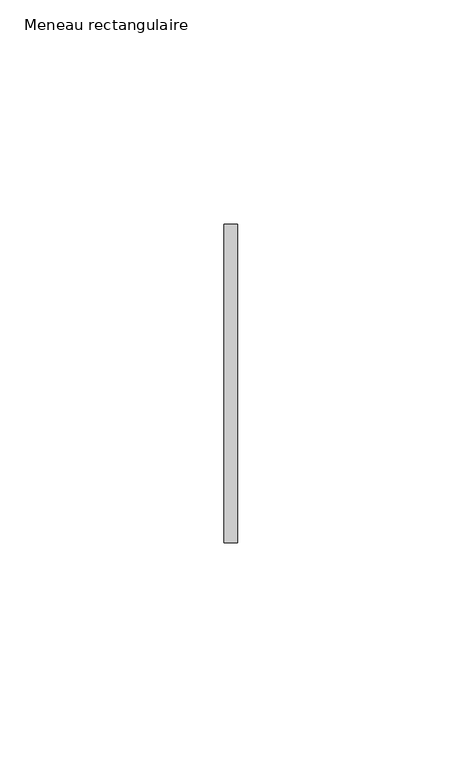
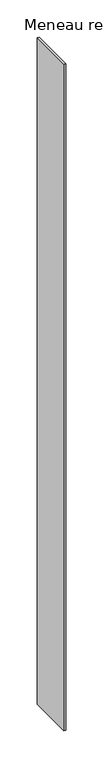
"""IFC4 building model written with IfcOpenShell, lengths in millimetres: member geometry, Meneau rectangulaire."""

from ifc_helpers import new_model, si_unit, frame, origin, place, context, project, spatial, polyline, outline, extrude, source, transform, mapped, element, save


def meneau_rectangulaire_64bee659(model_context):
    return source(origin(), model_context, "Body", "SweptSolid", [
        extrude(outline(polyline([(-1.5, 35.5), (1.5, 35.5), (1.5, -35.5), (-1.5, -35.5), (-1.5, 35.5)])), frame((0.0, 0.0, -1091.3749998), z_axis=(0.0, 0.0, 1.0), x_axis=(1.0, 0.0, 0.0)), (0.0, 0.0, 1.0), 1091.3749998),
    ])


if __name__ == "__main__":
    model = new_model("IFC4")
    model_context = context("Model", 3, world=origin())
    ifc_project = project(units=[si_unit("LENGTHUNIT", "METRE", prefix="MILLI")], contexts=[model_context])
    site = spatial("IfcSite", under=ifc_project)
    building = spatial("IfcBuilding", under=site)
    placement = place(None, origin())
    meneau_rectangulaire_shape = meneau_rectangulaire_64bee659(model_context)
    element("IfcMember", 1, ObjectType="Meneau rectangulaire", at=placement, inside=building, context=model_context, shape_type="MappedRepresentation", body=[
        mapped(meneau_rectangulaire_shape, transform((0.0, 0.0, 0.0), x_axis=(1.0, 0.0, 0.0), y_axis=(0.0, 1.0, 0.0), z_axis=(0.0, 0.0, 1.0))),
    ])
    save(model, "model.ifc")
